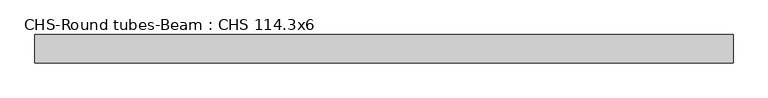
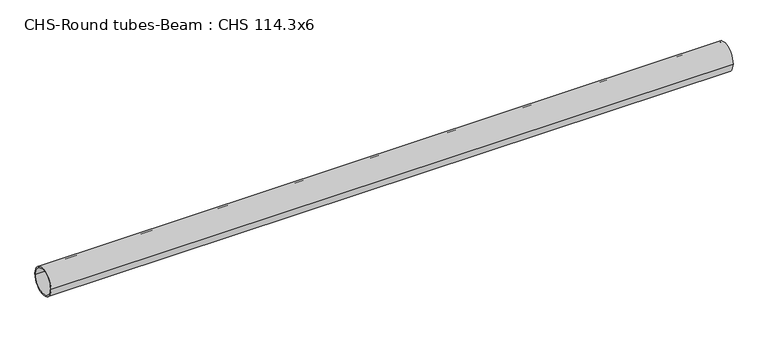
"""IFC4 building model written with IfcOpenShell, lengths in millimetres: beam geometry, CHS-Round tubes-Beam : CHS 114.3x6."""

from ifc_helpers import new_model, si_unit, point, frame, origin, origin_2d, place, context, project, spatial, circle_curve, trimmed, segment, composite_curve, outline, extrude, source, transform, mapped, element, save


def chs_round_tubes_beam_chs_114_3x6_7e88a001(model_context):
    return source(origin(), model_context, "Body", "SweptSolid", [
        extrude(outline(composite_curve([segment(trimmed(circle_curve(origin_2d(), 57.15), [point((57.15, 0.0))], [point((-57.15, 0.0))], False, "CARTESIAN"), True, "CONTINUOUS"), segment(trimmed(circle_curve(origin_2d(), 57.15), [point((-57.15, 0.0))], [point((57.15, 0.0))], False, "CARTESIAN"), True, "CONTINUOUS")], self_intersect=False), holes=[composite_curve([segment(trimmed(circle_curve(origin_2d(), 51.15), [point((51.15, 0.0))], [point((-51.15, 0.0))], True, "CARTESIAN"), True, "CONTINUOUS"), segment(trimmed(circle_curve(origin_2d(), 51.15), [point((-51.15, 0.0))], [point((51.15, 0.0))], True, "CARTESIAN"), True, "CONTINUOUS")], self_intersect=False)]), frame((-1385.2003001, 0.0, 0.0), z_axis=(1.0, 0.0, 0.0), x_axis=(0.0, 1.0, 0.0)), (0.0, 0.0, 1.0), 2800.2918047),
    ])


if __name__ == "__main__":
    model = new_model("IFC4")
    model_context = context("Model", 3, world=origin())
    ifc_project = project(units=[si_unit("LENGTHUNIT", "METRE", prefix="MILLI")], contexts=[model_context])
    site = spatial("IfcSite", under=ifc_project)
    building = spatial("IfcBuilding", under=site)
    placement = place(None, origin())
    chs_round_tubes_beam_chs_114_3x6_shape = chs_round_tubes_beam_chs_114_3x6_7e88a001(model_context)
    element("IfcBeam", 1, ObjectType="CHS-Round tubes-Beam : CHS 114.3x6", at=placement, inside=building, context=model_context, shape_type="MappedRepresentation", body=[
        mapped(chs_round_tubes_beam_chs_114_3x6_shape, transform((0.0, 0.0, 0.0), x_axis=(1.0, 0.0, 0.0), y_axis=(0.0, 1.0, 0.0), z_axis=(0.0, 0.0, 1.0))),
    ])
    save(model, "model.ifc")
